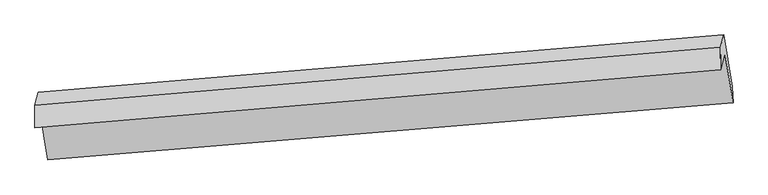
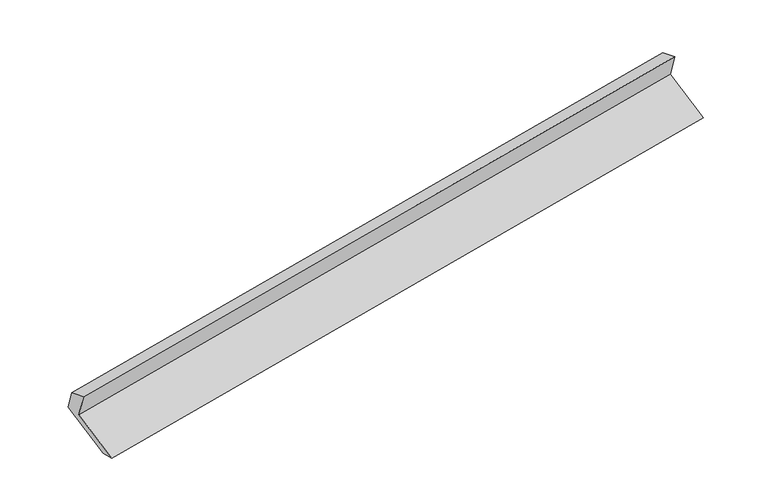
"""IFC4 building model written with IfcOpenShell, lengths in millimetres: proxy geometry."""

from ifc_helpers import new_model, si_unit, frame, origin, place, context, project, spatial, source, transform, mapped, element, save
from ifc_brep_helpers import plane_surface, spline_surface, advanced_brep


def generic_models_df19d423(model_context):
    return source(origin(), model_context, "Body", "AdvancedBrep", [
        advanced_brep(
        [(-7562.8692604, -1471.3219511, 1059.8522504), (-7610.9462307, -1648.4480443, 1407.7027884), (1739.190155, -862.4695989, 3067.9536326), (1785.6121266, -691.4408832, 2732.0774796), (-7445.9352275, -2181.1153877, 714.5858464), (1902.5461596, -1401.2343199, 2386.8110756), (-7436.8591402, -2397.1170106, 758.4348842), (1911.6222469, -1617.2359427, 2430.6601134), (-7547.2925406, -1726.782628, 1084.5071325), (1801.1888465, -946.9015601, 2756.7323617), (-7609.7486415, -1956.8845892, 1536.3947655), (1741.2603441, -1167.6912946, 3190.3321015)],
        [
            (0, 1),
            (1, 2),
            (2, 3),
            (3, 0),
            (4, 0),
            (3, 5),
            (5, 4),
            (6, 4),
            (5, 7),
            (7, 6),
            (8, 6),
            (7, 9),
            (9, 8),
            (10, 8),
            (9, 11),
            (11, 10),
            (1, 10),
            (11, 2),
        ],
        [
            plane_surface(frame((-7586.9077455, -1559.8849977, 1233.7775194), z_axis=(-0.1514205269702184, 0.8891536631135477, 0.4318305077039153), x_axis=(-0.1222398836429735, -0.45035851666009885, 0.8844402847669637))),
            plane_surface(frame((-7504.4022439, -1826.2186694, 887.2190484), z_axis=(0.12069447382661079, 0.45023718922003797, -0.8847142575040584), x_axis=(-0.14654708810082287, 0.8895456582225344, 0.4327036779443962))),
            plane_surface(frame((-7441.3971838, -2289.1161991, 736.5103653), z_axis=(0.18810850783986532, -0.1877965419538974, -0.9640267880657765), x_axis=(-0.04114381076567424, 0.979180744288368, -0.19877690220585542))),
            plane_surface(frame((-7492.0758404, -2061.9498193, 921.4710084), z_axis=(-0.12069447382661194, -0.45023718922002687, 0.8847142575040641), x_axis=(0.1465470881008362, -0.889545658222539, -0.4327036779443825))),
            plane_surface(frame((-7578.520591, -1841.8336086, 1310.450949), z_axis=(0.15142052697021355, -0.8891536631135655, -0.4318305077038806), x_axis=(0.12223988364297339, 0.45035851666006343, -0.8844402847669818))),
            spline_surface(1, 1, [[(-7610.9462307, -1648.4480443, 1407.7027884), (1739.190155, -862.4695989, 3067.9536326)], [(-7609.7486415, -1956.8845892, 1536.3947655), (1741.2603441, -1167.6912946, 3190.3321015)]], [2, 2], [2, 2], [0.0, 1.0], [0.0, 1.0]),
            plane_surface(frame((1813.5699798, -1114.4955999, 2760.7611274), z_axis=(0.9816218018240087, 0.07671850108804482, 0.17473668697383152), x_axis=(0.1465470881008362, -0.889545658222539, -0.4327036779443825))),
            plane_surface(frame((-7535.6085068, -1896.9449351, 1093.5796112), z_axis=(-0.9816218018239611, -0.07671850108785563, -0.17473668697418016), x_axis=(0.12223988364297339, 0.4503585166600985, -0.8844402847669638))),
        ],
        [
            (0, [[1, 2, 3, 4]]),
            (1, [[5, -4, 6, 7]]),
            (2, [[8, -7, 9, 10]]),
            (3, [[11, -10, 12, 13]]),
            (4, [[14, -13, 15, 16]]),
            (5, [[17, -16, 18, -2]]),
            (6, [[-12, -9, -6, -3, -18, -15]]),
            (7, [[-1, -5, -8, -11, -14, -17]]),
        ],
    ),
    ])


if __name__ == "__main__":
    model = new_model("IFC4")
    model_context = context("Model", 3, world=origin())
    ifc_project = project(units=[si_unit("LENGTHUNIT", "METRE", prefix="MILLI")], contexts=[model_context])
    site = spatial("IfcSite", under=ifc_project)
    building = spatial("IfcBuilding", under=site)
    placement = place(None, origin())
    generic_models_shape = generic_models_df19d423(model_context)
    element("IfcBuildingElementProxy", 1, Name="Generic Models", at=placement, inside=building, context=model_context, shape_type="MappedRepresentation", body=[
        mapped(generic_models_shape, transform((0.0, 0.0, 0.0), x_axis=(1.0, 0.0, 0.0), y_axis=(0.0, 1.0, 0.0), z_axis=(0.0, 0.0, 1.0))),
    ])
    save(model, "model.ifc")
